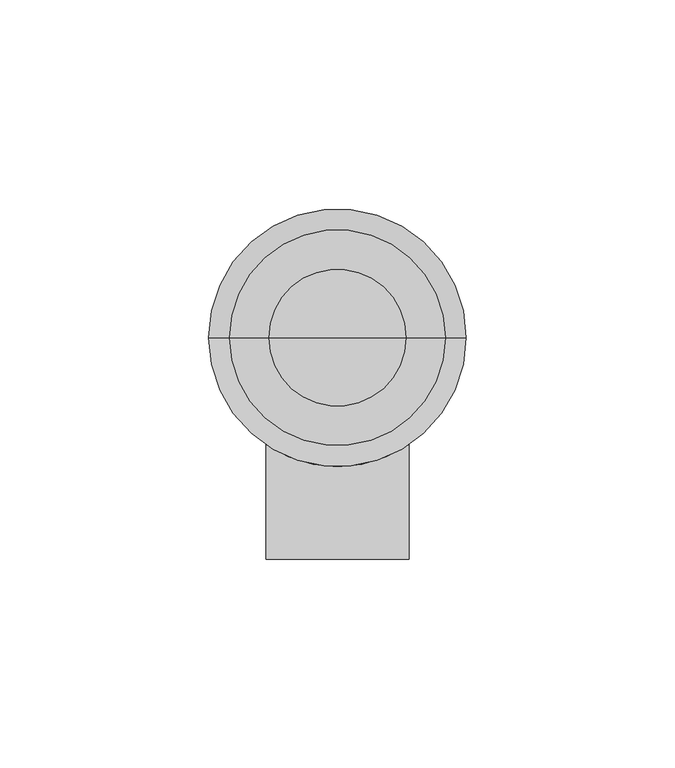
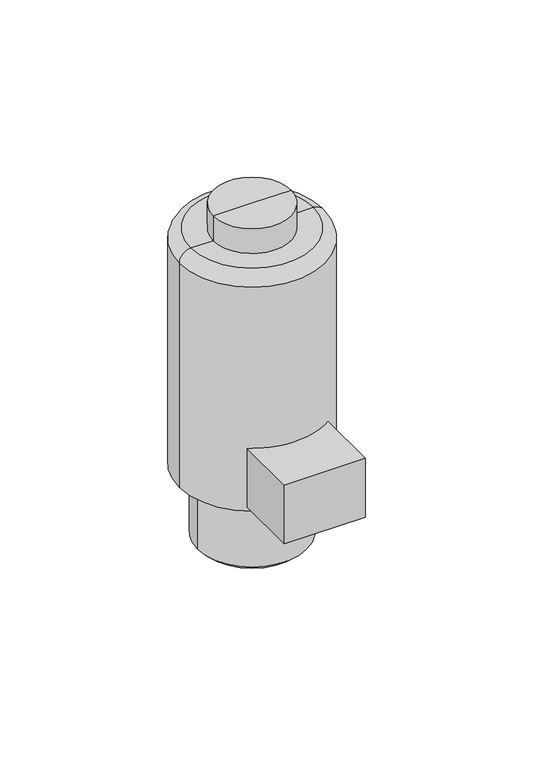
"""IFC4 building model written with IfcOpenShell, lengths in millimetres: proxy geometry."""

from ifc_helpers import new_model, si_unit, point, frame, origin, place, context, project, spatial, polyline, circle_curve, ellipse_curve, trimmed, source, transform, mapped, element, save
from ifc_brep_helpers import plane_surface, cylinder_surface, revolved_surface, advanced_brep


def specialty_equipment_d35e15a2(model_context):
    return source(origin(), model_context, "Body", "AdvancedBrep", [
        advanced_brep(
        [(0.0, 0.0, 21.1355802), (-30.8205474, 0.0, 21.1355802), (30.8205474, 0.0, 21.1355802), (16.3929392, 0.0, 137.0), (-16.3929392, 0.0, 137.0), (0.0, 0.0, 137.0), (16.3929392, 0.0, 126.0), (-16.3929392, 0.0, 126.0), (25.8205474, 0.0, 126.0), (-25.8205474, 0.0, 126.0), (-30.8205474, 0.0, 121.0), (30.8205474, 0.0, 121.0), (17.111372, -25.6341002, 49.2248972), (17.111372, -25.6341002, 23.0911655), (-17.111372, -25.6341002, 23.0911655), (-17.111372, -25.6341002, 49.2248972), (17.111372, -52.969459, 23.0911655), (17.111372, -52.969459, 49.2248972), (-17.111372, -52.969459, 49.2248972), (-17.111372, -52.969459, 23.0911655)],
        [
            (0, 1),
            (1, 2, circle_curve(frame((0.0, 0.0, 21.1355802), z_axis=(0.0, 0.0, -1.0), x_axis=(-1.0, 0.0, 0.0)), 30.8205474)),
            (2, 0),
            (2, 1, circle_curve(frame((0.0, 0.0, 21.1355802), z_axis=(0.0, 0.0, -1.0), x_axis=(-1.0, 0.0, 0.0)), 30.8205474)),
            (3, 4, circle_curve(frame((0.0, 0.0, 137.0), z_axis=(0.0, 0.0, 1.0), x_axis=(-1.0, 0.0, 0.0)), 16.3929392)),
            (4, 5),
            (5, 3),
            (4, 3, circle_curve(frame((0.0, 0.0, 137.0), z_axis=(0.0, 0.0, 1.0), x_axis=(-1.0, 0.0, 0.0)), 16.3929392)),
            (3, 6),
            (6, 7, circle_curve(frame((0.0, 0.0, 126.0), z_axis=(0.0, 0.0, 1.0), x_axis=(-1.0, 0.0, 0.0)), 16.3929392)),
            (7, 4),
            (7, 6, circle_curve(frame((0.0, 0.0, 126.0), z_axis=(0.0, 0.0, 1.0), x_axis=(-1.0, 0.0, 0.0)), 16.3929392)),
            (6, 8),
            (8, 9, circle_curve(frame((0.0, 0.0, 126.0), z_axis=(0.0, 0.0, 1.0), x_axis=(-1.0, 0.0, 0.0)), 25.8205474)),
            (9, 7),
            (9, 8, circle_curve(frame((0.0, 0.0, 126.0), z_axis=(0.0, 0.0, 1.0), x_axis=(-1.0, 0.0, 0.0)), 25.8205474)),
            (1, 10),
            (10, 11, circle_curve(frame((0.0, 0.0, 121.0), z_axis=(0.0, 0.0, -1.0), x_axis=(-1.0, 0.0, 0.0)), 30.8205474)),
            (11, 2),
            (11, 10, circle_curve(frame((0.0, 0.0, 121.0), z_axis=(0.0, 0.0, -1.0), x_axis=(-1.0, 0.0, 0.0)), 30.8205474)),
            (12, 13),
            (13, 14, circle_curve(frame((0.0, 0.0, 23.0911655), z_axis=(0.0, 0.0, -1.0), x_axis=(-1.0, 0.0, 0.0)), 30.8205474)),
            (14, 15),
            (15, 12, circle_curve(frame((0.0, 0.0, 49.2248972), z_axis=(0.0, 0.0, 1.0), x_axis=(-1.0, 0.0, 0.0)), 30.8205474)),
            (16, 17),
            (17, 18),
            (18, 19),
            (19, 16),
            (16, 13),
            (12, 17),
            (15, 18),
            (14, 19),
            (8, 11, circle_curve(frame((25.8205474, 0.0, 121.0), z_axis=(0.0, 1.0, 0.0), x_axis=(-1.0, 0.0, 0.0)), 5.0)),
            (10, 9, circle_curve(frame((-25.8205474, 0.0, 121.0), z_axis=(0.0, 1.0, 0.0), x_axis=(1.0, 0.0, 0.0)), 5.0)),
        ],
        [
            plane_surface(frame((0.0, 0.0, 21.1355802), z_axis=(0.0, 0.0, -1.0), x_axis=(-1.0, 0.0, 0.0))),
            plane_surface(frame((0.0, 0.0, 137.0), z_axis=(0.0, 0.0, 1.0), x_axis=(-1.0, 0.0, 0.0))),
            cylinder_surface(frame((0.0, 0.0, 2610.2096613), z_axis=(0.0, 0.0, -1.0), x_axis=(-1.0, 0.0, 0.0)), 16.3929392),
            plane_surface(frame((0.0, 0.0, 126.0), z_axis=(0.0, 0.0, 1.0), x_axis=(-1.0, 0.0, 0.0))),
            cylinder_surface(frame((0.0, 0.0, 2610.2096613), z_axis=(0.0, 0.0, -1.0), x_axis=(-1.0, 0.0, 0.0)), 30.8205474),
            plane_surface(frame((17.111372, -52.969459, 23.0911655), z_axis=(0.0, -1.0, 0.0), x_axis=(0.0, 0.0, 1.0))),
            plane_surface(frame((17.111372, -52.969459, 23.0911655), z_axis=(1.0, 0.0, 0.0), x_axis=(0.0, 1.0, 0.0))),
            plane_surface(frame((17.111372, -52.969459, 49.2248972), z_axis=(0.0, 0.0, 1.0), x_axis=(0.0, 1.0, 0.0))),
            plane_surface(frame((-17.111372, -52.969459, 49.2248972), z_axis=(-1.0, 0.0, 0.0), x_axis=(0.0, 1.0, 0.0))),
            plane_surface(frame((-17.111372, -52.969459, 23.0911655), z_axis=(0.0, 0.0, -1.0), x_axis=(0.0, 1.0, 0.0))),
            revolved_surface(trimmed(ellipse_curve(frame((-25.8205474, 0.0, 121.0), z_axis=(0.0, -1.0, 0.0), x_axis=(1.0, 0.0, 0.0)), 5.0, 5.0), [point((-25.8205474, 0.0, 126.0))], [point((-30.8205474, 0.0, 121.0))], True, "CARTESIAN"), (0.0, 0.0, 2610.2096613), (0.0, 0.0, -1.0)),
        ],
        [
            (0, [[1, 2, 3]]),
            (0, [[-1, -3, 4]]),
            (1, [[5, 6, 7]]),
            (1, [[-6, 8, -7]]),
            (2, [[-5, 9, 10, 11]]),
            (2, [[-8, -11, 12, -9]]),
            (3, [[-10, 13, 14, 15]]),
            (3, [[-12, -15, 16, -13]]),
            (4, [[-2, 17, 18, 19]]),
            (4, [[-4, -19, 20, -17], [21, 22, 23, 24]]),
            (5, [[25, 26, 27, 28]]),
            (6, [[-25, 29, -21, 30]]),
            (7, [[-26, -30, -24, 31]]),
            (8, [[-27, -31, -23, 32]]),
            (9, [[-28, -32, -22, -29]]),
            (10, [[-14, 33, -18, 34]]),
            (10, [[-16, -34, -20, -33]]),
        ],
    ),
        advanced_brep(
        [(16.3929392, 0.0, -11.0), (-16.3929392, 0.0, -11.0), (-21.258001, 0.0, -11.0), (21.258001, 0.0, -11.0), (16.3929392, 0.0, 0.0), (-16.3929392, 0.0, 0.0), (0.0, 0.0, 0.0), (23.0670183, 0.0, 21.1355802), (-23.0670183, 0.0, 21.1355802), (0.0, 0.0, 21.1355802), (23.0670183, 0.0, -9.1909827), (-23.0670183, 0.0, -9.1909827)],
        [
            (0, 1, circle_curve(frame((0.0, 0.0, -11.0), z_axis=(0.0, 0.0, 1.0), x_axis=(-1.0, 0.0, 0.0)), 16.3929392)),
            (1, 2),
            (2, 3, circle_curve(frame((0.0, 0.0, -11.0), z_axis=(0.0, 0.0, -1.0), x_axis=(-1.0, 0.0, 0.0)), 21.258001)),
            (3, 0),
            (1, 0, circle_curve(frame((0.0, 0.0, -11.0), z_axis=(0.0, 0.0, 1.0), x_axis=(-1.0, 0.0, 0.0)), 16.3929392)),
            (3, 2, circle_curve(frame((0.0, 0.0, -11.0), z_axis=(0.0, 0.0, -1.0), x_axis=(-1.0, 0.0, 0.0)), 21.258001)),
            (4, 5, circle_curve(frame((0.0, 0.0, 0.0), z_axis=(0.0, 0.0, 1.0), x_axis=(-1.0, 0.0, 0.0)), 16.3929392)),
            (5, 1),
            (0, 4),
            (5, 4, circle_curve(frame((0.0, 0.0, 0.0), z_axis=(0.0, 0.0, 1.0), x_axis=(-1.0, 0.0, 0.0)), 16.3929392)),
            (6, 5),
            (4, 6),
            (7, 8, circle_curve(frame((0.0, 0.0, 21.1355802), z_axis=(0.0, 0.0, 1.0), x_axis=(-1.0, 0.0, 0.0)), 23.0670183)),
            (8, 9),
            (9, 7),
            (8, 7, circle_curve(frame((0.0, 0.0, 21.1355802), z_axis=(0.0, 0.0, 1.0), x_axis=(-1.0, 0.0, 0.0)), 23.0670183)),
            (10, 11, circle_curve(frame((0.0, 0.0, -9.1909827), z_axis=(0.0, 0.0, 1.0), x_axis=(-1.0, 0.0, 0.0)), 23.0670183)),
            (11, 8),
            (7, 10),
            (11, 10, circle_curve(frame((0.0, 0.0, -9.1909827), z_axis=(0.0, 0.0, 1.0), x_axis=(-1.0, 0.0, 0.0)), 23.0670183)),
            (2, 11),
            (10, 3),
        ],
        [
            plane_surface(frame((0.0, 0.0, -11.0), z_axis=(0.0, 0.0, -1.0), x_axis=(-1.0, 0.0, 0.0))),
            revolved_surface(polyline([(-16.3929392, 0.0, -11.0), (-16.3929392, 0.0, 0.0)]), (0.0, 0.0, 2614.7205717), (0.0, 0.0, -1.0)),
            plane_surface(frame((0.0, 0.0, 0.0), z_axis=(0.0, 0.0, -1.0), x_axis=(-1.0, 0.0, 0.0))),
            plane_surface(frame((0.0, 0.0, 21.1355802), z_axis=(0.0, 0.0, 1.0), x_axis=(-1.0, 0.0, 0.0))),
            cylinder_surface(frame((0.0, 0.0, 2614.7205717), z_axis=(0.0, 0.0, -1.0), x_axis=(-1.0, 0.0, 0.0)), 23.0670183),
            revolved_surface(polyline([(-23.0670183, 0.0, -9.1909827), (-21.258001, 0.0, -11.0)]), (0.0, 0.0, 2614.7205717), (0.0, 0.0, -1.0)),
        ],
        [
            (0, [[1, 2, 3, 4]]),
            (0, [[5, -4, 6, -2]]),
            (1, [[7, 8, -1, 9]]),
            (1, [[10, -9, -5, -8]]),
            (2, [[11, -7, 12]]),
            (2, [[-12, -10, -11]]),
            (3, [[13, 14, 15]]),
            (3, [[16, -15, -14]]),
            (4, [[17, 18, -13, 19]]),
            (4, [[20, -19, -16, -18]]),
            (5, [[-3, 21, -17, 22]]),
            (5, [[-6, -22, -20, -21]]),
        ],
    ),
    ])


if __name__ == "__main__":
    model = new_model("IFC4")
    model_context = context("Model", 3, world=origin())
    ifc_project = project(units=[si_unit("LENGTHUNIT", "METRE", prefix="MILLI")], contexts=[model_context])
    site = spatial("IfcSite", under=ifc_project)
    building = spatial("IfcBuilding", under=site)
    placement = place(None, origin())
    specialty_equipment_shape = specialty_equipment_d35e15a2(model_context)
    element("IfcBuildingElementProxy", 1, Name="Specialty Equipment", at=placement, inside=building, context=model_context, shape_type="MappedRepresentation", body=[
        mapped(specialty_equipment_shape, transform((0.0, 0.0, 0.0), x_axis=(1.0, 0.0, 0.0), y_axis=(0.0, 1.0, 0.0), z_axis=(0.0, 0.0, 1.0))),
    ])
    save(model, "model.ifc")
